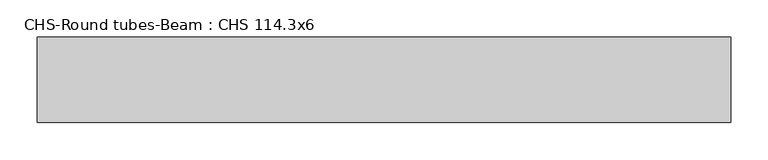
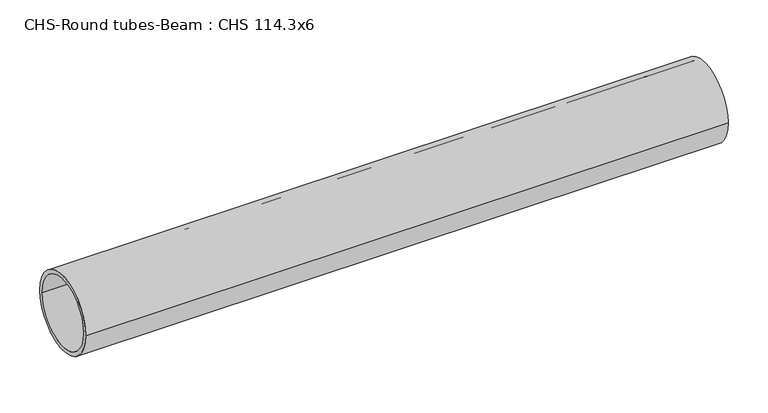
"""IFC4 building model written with IfcOpenShell, lengths in millimetres: beam geometry, CHS-Round tubes-Beam : CHS 114.3x6."""

from ifc_helpers import new_model, si_unit, point, frame, origin, origin_2d, place, context, project, spatial, circle_curve, trimmed, segment, composite_curve, outline, extrude, source, transform, mapped, element, save


def chs_round_tubes_beam_chs_114_3x6_def16979(model_context):
    return source(origin(), model_context, "Body", "SweptSolid", [
        extrude(outline(composite_curve([segment(trimmed(circle_curve(origin_2d(), 57.15), [point((57.15, 0.0))], [point((-57.15, 0.0))], False, "CARTESIAN"), True, "CONTINUOUS"), segment(trimmed(circle_curve(origin_2d(), 57.15), [point((-57.15, 0.0))], [point((57.15, 0.0))], False, "CARTESIAN"), True, "CONTINUOUS")], self_intersect=False), holes=[composite_curve([segment(trimmed(circle_curve(origin_2d(), 51.15), [point((51.15, 0.0))], [point((-51.15, 0.0))], True, "CARTESIAN"), True, "CONTINUOUS"), segment(trimmed(circle_curve(origin_2d(), 51.15), [point((-51.15, 0.0))], [point((51.15, 0.0))], True, "CARTESIAN"), True, "CONTINUOUS")], self_intersect=False)]), frame((-494.5835068, 0.0, 0.0), z_axis=(1.0, 0.0, 0.0), x_axis=(0.0, 1.0, 0.0)), (0.0, 0.0, 1.0), 927.5592555),
    ])


if __name__ == "__main__":
    model = new_model("IFC4")
    model_context = context("Model", 3, world=origin())
    ifc_project = project(units=[si_unit("LENGTHUNIT", "METRE", prefix="MILLI")], contexts=[model_context])
    site = spatial("IfcSite", under=ifc_project)
    building = spatial("IfcBuilding", under=site)
    placement = place(None, origin())
    chs_round_tubes_beam_chs_114_3x6_shape = chs_round_tubes_beam_chs_114_3x6_def16979(model_context)
    element("IfcBeam", 1, ObjectType="CHS-Round tubes-Beam : CHS 114.3x6", at=placement, inside=building, context=model_context, shape_type="MappedRepresentation", body=[
        mapped(chs_round_tubes_beam_chs_114_3x6_shape, transform((0.0, 0.0, 0.0), x_axis=(1.0, 0.0, 0.0), y_axis=(0.0, 1.0, 0.0), z_axis=(0.0, 0.0, 1.0))),
    ])
    save(model, "model.ifc")
